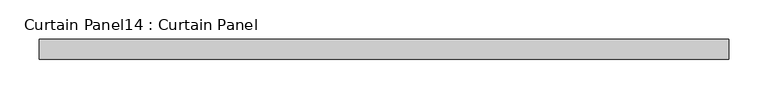
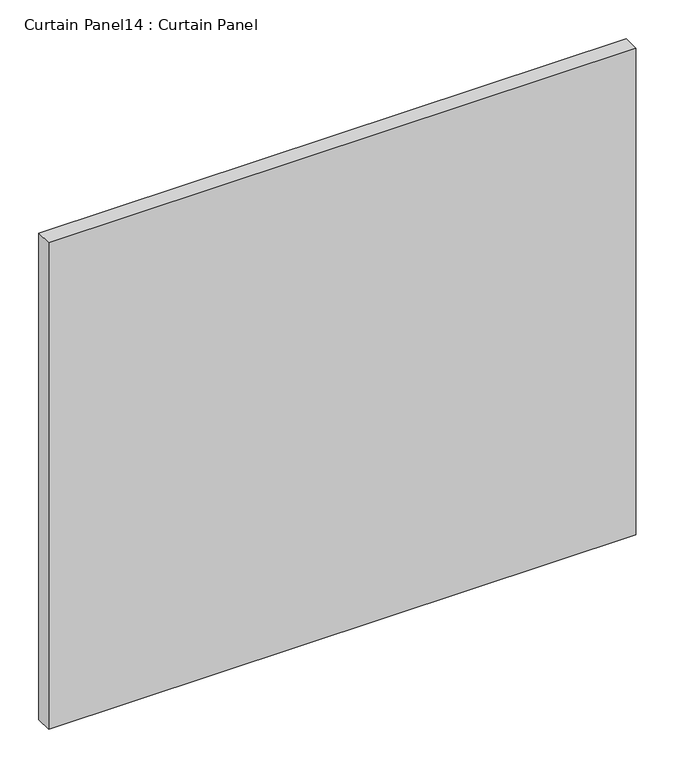
"""IFC4 building model written with IfcOpenShell, lengths in millimetres: plate geometry, Curtain Panel14 : Curtain Panel."""

from ifc_helpers import new_model, si_unit, frame, origin, place, context, project, spatial, polyline, outline, extrude, source, transform, mapped, element, save


def curtain_panel14_curtain_panel_110565b0(model_context):
    return source(origin(), model_context, "Body", "SweptSolid", [
        extrude(outline(polyline([(52519.8904207, 2514.0505002), (51643.8074089, 2514.0505002), (51643.8074089, 2539.4505002), (52519.8904207, 2539.4505002), (52519.8904207, 2514.0505002)])), frame((0.0, 0.0, -632.8999423), z_axis=(0.0, 0.0, 1.0), x_axis=(1.0, 0.0, 0.0)), (0.0, 0.0, 1.0), 766.8416792),
    ])


if __name__ == "__main__":
    model = new_model("IFC4")
    model_context = context("Model", 3, world=origin())
    ifc_project = project(units=[si_unit("LENGTHUNIT", "METRE", prefix="MILLI")], contexts=[model_context])
    site = spatial("IfcSite", under=ifc_project)
    building = spatial("IfcBuilding", under=site)
    placement = place(None, origin())
    curtain_panel14_curtain_panel_shape = curtain_panel14_curtain_panel_110565b0(model_context)
    element("IfcPlate", 1, ObjectType="Curtain Panel14 : Curtain Panel", at=placement, inside=building, context=model_context, shape_type="MappedRepresentation", body=[
        mapped(curtain_panel14_curtain_panel_shape, transform((0.0, 0.0, 0.0), x_axis=(1.0, 0.0, 0.0), y_axis=(0.0, 1.0, 0.0), z_axis=(0.0, 0.0, 1.0))),
    ])
    save(model, "model.ifc")
